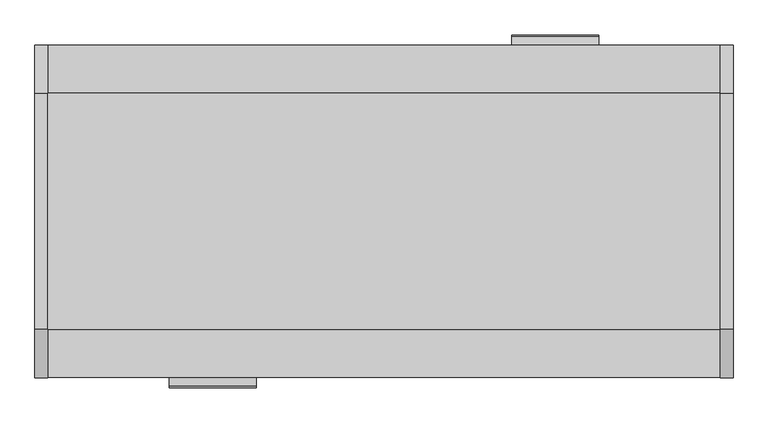
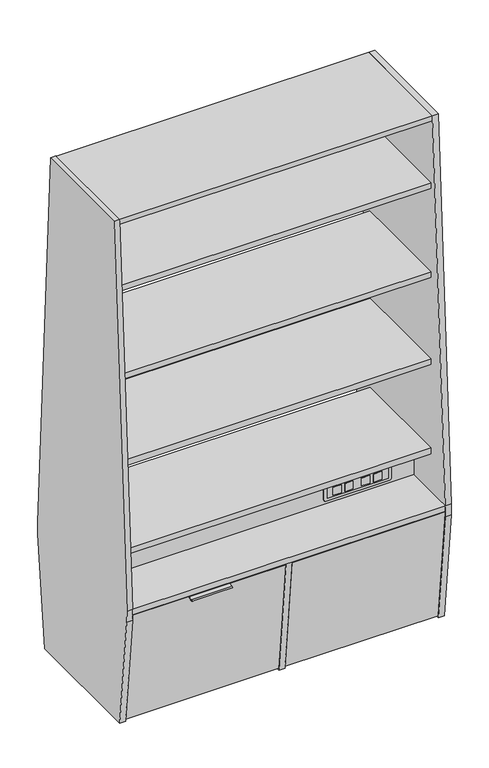
"""IFC4 building model written with IfcOpenShell, lengths in millimetres: furniture geometry."""

from ifc_helpers import new_model, si_unit, point, frame, frame_2d, origin, origin_with_axes, place, context, project, spatial, polyline, circle_curve, trimmed, segment, composite_curve, outline, extrude, faceted_brep, source, transform, mapped, element, save


def furniture_2c039319(model_context):
    return source(origin(), model_context, "Body", "SolidModel", [
        extrude(outline(polyline([(-193.5198282, 158.75), (111.3337127, 158.75), (111.3337127, 134.9375), (-202.1868694, 134.9375), (-193.5198282, 158.75)])), frame((-488.95, 0.0, 0.0), z_axis=(1.0, 0.0, 0.0), x_axis=(0.0, 1.0, 0.0)), (0.0, 0.0, 1.0), 449.2752),
        extrude(outline(polyline([(-111.9552839, 158.75), (192.898257, 158.75), (201.5652982, 134.9375), (-111.9552839, 134.9375), (-111.9552839, 158.75)])), frame((39.6748, 0.0, 0.0), z_axis=(1.0, 0.0, 0.0), x_axis=(0.0, 1.0, 0.0)), (0.0, 0.0, 1.0), 449.2752),
        extrude(outline(polyline([(-488.95, 111.3337127), (-488.95, 131.7152982), (-39.6748, 131.7152982), (-39.6748, 111.3337127), (-488.95, 111.3337127)])), frame((0.0, 0.0, 134.9375), z_axis=(0.0, 0.0, 1.0), x_axis=(1.0, 0.0, 0.0)), (0.0, 0.0, 1.0), 228.6),
        extrude(outline(polyline([(-118.9832739, 363.5375), (131.7152982, 363.5375), (131.7152982, 134.9375), (-202.1868694, 134.9375), (-118.9832739, 363.5375)])), frame((-39.6748, 0.0, 0.0), z_axis=(1.0, 0.0, 0.0), x_axis=(0.0, 1.0, 0.0)), (0.0, 0.0, 1.0), 22.225),
        extrude(outline(polyline([(-118.9832739, 363.5375), (131.7152982, 363.5375), (131.7152982, 134.9375), (-202.1868694, 134.9375), (-118.9832739, 363.5375)])), frame((-511.175, 0.0, 0.0), z_axis=(1.0, 0.0, 0.0), x_axis=(0.0, 1.0, 0.0)), (0.0, 0.0, 1.0), 22.225),
        extrude(outline(polyline([(39.6748, -132.3368694), (39.6748, -111.9552839), (488.95, -111.9552839), (488.95, -132.3368694), (39.6748, -132.3368694)])), frame((0.0, 0.0, 134.9375), z_axis=(0.0, 0.0, 1.0), x_axis=(1.0, 0.0, 0.0)), (0.0, 0.0, 1.0), 228.6),
        extrude(outline(polyline([(0.0, -578.6825541), (0.0, 0.0), (19.845697, 0.0), (19.845697, -578.6825541), (0.0, -578.6825541)])), frame((590.55, 244.5574981, 8.3666349), z_axis=(0.0, 0.10452846326765657, 0.9945218953682731), x_axis=(0.0, -0.9945218953682731, 0.10452846326765657)), (0.0, 0.0, 1.0), 444.7184888),
        extrude(outline(polyline([(0.0, -578.6825541), (0.0, 0.0), (19.845697, 0.0), (19.845697, -578.6825541), (0.0, -578.6825541)])), frame((-11.8674459, 244.5574981, 8.3666349), z_axis=(0.0, 0.10452846326765657, 0.9945218953682731), x_axis=(0.0, -0.9945218953682731, 0.10452846326765657)), (0.0, 0.0, 1.0), 444.7184888),
        extrude(outline(composite_curve([segment(polyline([(-207.7640625, 1981.2), (207.7640625, 1981.2), (292.2664689, 474.9147693)]), True, "CONTINUOUS"), segment(trimmed(circle_curve(frame_2d((21.725451, 459.7374532)), 270.9664063), [point((292.2664689, 474.9147693))], [point((291.2074749, 431.4137512))], False, "CARTESIAN"), True, "CONTINUOUS"), segment(polyline([(291.2074749, 431.4137512), (245.8640625, 0.0), (-245.8640625, 0.0), (-291.2074749, 431.4137512)]), True, "CONTINUOUS"), segment(trimmed(circle_curve(frame_2d((-21.725451, 459.7374532)), 270.9664063), [point((-291.2074749, 431.4137512))], [point((-292.2664689, 474.9147693))], False, "CARTESIAN"), True, "CONTINUOUS"), segment(polyline([(-292.2664689, 474.9147693), (-207.7640625, 1981.2)]), True, "CONTINUOUS")], self_intersect=False)), frame((590.55, 0.0, 0.0), z_axis=(1.0, 0.0, 0.0), x_axis=(0.0, 1.0, 0.0)), (0.0, 0.0, 1.0), 22.225),
        extrude(outline(polyline([(-312.19018, 93.5806455), (-280.44018, 93.5806455), (-280.44018, 92.5591729), (-312.19018, 92.5591729), (-312.19018, 93.5806455)])), frame((0.0, 0.0, 504.4364571), z_axis=(0.0, 0.0, 1.0), x_axis=(1.0, 0.0, 0.0)), (0.0, 0.0, 1.0), 31.75),
        extrude(outline(polyline([(-356.64018, 93.5806455), (-324.89018, 93.5806455), (-324.89018, 92.5591729), (-356.64018, 92.5591729), (-356.64018, 93.5806455)])), frame((0.0, 0.0, 504.4364571), z_axis=(0.0, 0.0, 1.0), x_axis=(1.0, 0.0, 0.0)), (0.0, 0.0, 1.0), 31.75),
        extrude(outline(polyline([(-420.14018, 93.5806455), (-388.39018, 93.5806455), (-388.39018, 92.5591729), (-420.14018, 92.5591729), (-420.14018, 93.5806455)])), frame((0.0, 0.0, 504.4364571), z_axis=(0.0, 0.0, 1.0), x_axis=(1.0, 0.0, 0.0)), (0.0, 0.0, 1.0), 31.75),
        extrude(outline(polyline([(-464.59018, 93.5806455), (-432.84018, 93.5806455), (-432.84018, 92.5591729), (-464.59018, 92.5591729), (-464.59018, 93.5806455)])), frame((0.0, 0.0, 504.4364571), z_axis=(0.0, 0.0, 1.0), x_axis=(1.0, 0.0, 0.0)), (0.0, 0.0, 1.0), 31.75),
        extrude(outline(polyline([(-489.5911618, 92.5591729), (-260.9911618, 92.5591729), (-260.9911618, 90.806662), (-489.5911618, 90.806662), (-489.5911618, 92.5591729)])), frame((0.0, 0.0, 500.0486504), z_axis=(0.0, 0.0, 1.0), x_axis=(1.0, 0.0, 0.0)), (0.0, 0.0, 1.0), 40.3854567),
        extrude(outline(composite_curve([segment(trimmed(circle_curve(frame_2d((545.1966071, -495.9411618)), 6.35), [point((551.5466071, -495.9411618))], [point((545.1966071, -502.2911618))], False, "CARTESIAN"), True, "CONTINUOUS"), segment(polyline([(545.1966071, -502.2911618), (495.2861504, -502.2911618)]), True, "CONTINUOUS"), segment(trimmed(circle_curve(frame_2d((495.2861504, -495.9411618)), 6.35), [point((495.2861504, -502.2911618))], [point((488.9361504, -495.9411618))], False, "CARTESIAN"), True, "CONTINUOUS"), segment(polyline([(488.9361504, -495.9411618), (488.9361504, -254.6411618)]), True, "CONTINUOUS"), segment(trimmed(circle_curve(frame_2d((495.2861504, -254.6411618)), 6.35), [point((488.9361504, -254.6411618))], [point((495.2861504, -248.2911618))], False, "CARTESIAN"), True, "CONTINUOUS"), segment(polyline([(495.2861504, -248.2911618), (545.1966071, -248.2911618)]), True, "CONTINUOUS"), segment(trimmed(circle_curve(frame_2d((545.1966071, -254.6411618)), 6.35), [point((545.1966071, -248.2911618))], [point((551.5466071, -254.6411618))], False, "CARTESIAN"), True, "CONTINUOUS"), segment(polyline([(551.5466071, -254.6411618), (551.5466071, -495.9411618)]), True, "CONTINUOUS")], self_intersect=False)), frame((0.0, 87.3125, 0.0), z_axis=(0.0, 1.0, 0.0), x_axis=(0.0, 0.0, 1.0)), (0.0, 0.0, 1.0), 3.494162),
        extrude(outline(polyline([(312.19018, -93.5806455), (280.44018, -93.5806455), (280.44018, -92.5591729), (312.19018, -92.5591729), (312.19018, -93.5806455)])), frame((0.0, 0.0, 504.4364571), z_axis=(0.0, 0.0, 1.0), x_axis=(1.0, 0.0, 0.0)), (0.0, 0.0, 1.0), 31.75),
        extrude(outline(polyline([(356.64018, -93.5806455), (324.89018, -93.5806455), (324.89018, -92.5591729), (356.64018, -92.5591729), (356.64018, -93.5806455)])), frame((0.0, 0.0, 504.4364571), z_axis=(0.0, 0.0, 1.0), x_axis=(1.0, 0.0, 0.0)), (0.0, 0.0, 1.0), 31.75),
        extrude(outline(polyline([(420.14018, -93.5806455), (388.39018, -93.5806455), (388.39018, -92.5591729), (420.14018, -92.5591729), (420.14018, -93.5806455)])), frame((0.0, 0.0, 504.4364571), z_axis=(0.0, 0.0, 1.0), x_axis=(1.0, 0.0, 0.0)), (0.0, 0.0, 1.0), 31.75),
        extrude(outline(polyline([(464.59018, -93.5806455), (432.84018, -93.5806455), (432.84018, -92.5591729), (464.59018, -92.5591729), (464.59018, -93.5806455)])), frame((0.0, 0.0, 504.4364571), z_axis=(0.0, 0.0, 1.0), x_axis=(1.0, 0.0, 0.0)), (0.0, 0.0, 1.0), 31.75),
        extrude(outline(polyline([(489.5911618, -92.5591729), (260.9911618, -92.5591729), (260.9911618, -90.806662), (489.5911618, -90.806662), (489.5911618, -92.5591729)])), frame((0.0, 0.0, 500.0486504), z_axis=(0.0, 0.0, 1.0), x_axis=(1.0, 0.0, 0.0)), (0.0, 0.0, 1.0), 40.3854567),
        extrude(outline(composite_curve([segment(polyline([(551.5466071, 495.9411618), (551.5466071, 254.6411618)]), True, "CONTINUOUS"), segment(trimmed(circle_curve(frame_2d((545.1966071, 254.6411618)), 6.35), [point((551.5466071, 254.6411618))], [point((545.1966071, 248.2911618))], False, "CARTESIAN"), True, "CONTINUOUS"), segment(polyline([(545.1966071, 248.2911618), (495.2861504, 248.2911618)]), True, "CONTINUOUS"), segment(trimmed(circle_curve(frame_2d((495.2861504, 254.6411618)), 6.35), [point((495.2861504, 248.2911618))], [point((488.9361504, 254.6411618))], False, "CARTESIAN"), True, "CONTINUOUS"), segment(polyline([(488.9361504, 254.6411618), (488.9361504, 495.9411618)]), True, "CONTINUOUS"), segment(trimmed(circle_curve(frame_2d((495.2861504, 495.9411618)), 6.35), [point((488.9361504, 495.9411618))], [point((495.2861504, 502.2911618))], False, "CARTESIAN"), True, "CONTINUOUS"), segment(polyline([(495.2861504, 502.2911618), (545.1966071, 502.2911618)]), True, "CONTINUOUS"), segment(trimmed(circle_curve(frame_2d((545.1966071, 495.9411618)), 6.35), [point((545.1966071, 502.2911618))], [point((551.5466071, 495.9411618))], False, "CARTESIAN"), True, "CONTINUOUS")], self_intersect=False)), frame((0.0, -90.806662, 0.0), z_axis=(0.0, 1.0, 0.0), x_axis=(0.0, 0.0, 1.0)), (0.0, 0.0, 1.0), 3.494162),
        extrude(outline(composite_curve([segment(polyline([(-307.5901915, 448.1352137), (-268.3065767, 452.264088), (-266.4250643, 434.3626938), (-268.4141081, 434.1536369), (-270.0865635, 450.0659872), (-300.9167423, 446.8256049)]), True, "CONTINUOUS"), segment(trimmed(circle_curve(frame_2d((-303.3984312, 446.137696)), 2.5752667), [point((-300.9167423, 446.8256049))], [point((-303.1292425, 443.5765369))], False, "CARTESIAN"), True, "CONTINUOUS"), segment(polyline([(-303.1292425, 443.5765369), (-307.0675492, 443.1626042)]), True, "CONTINUOUS"), segment(trimmed(circle_curve(frame_2d((-307.3288704, 445.6489089)), 2.5), [point((-307.0675492, 443.1626042))], [point((-307.5901915, 448.1352137))], False, "CARTESIAN"), True, "CONTINUOUS")], self_intersect=False)), frame((-377.03125, 0.0, 0.0), z_axis=(1.0, 0.0, 0.0), x_axis=(0.0, 1.0, 0.0)), (0.0, 0.0, 1.0), 152.4010201),
        extrude(outline(composite_curve([segment(trimmed(circle_curve(frame_2d((307.3288704, 445.6489089)), 2.5), [point((307.5901915, 448.1352137))], [point((307.0675492, 443.1626042))], False, "CARTESIAN"), True, "CONTINUOUS"), segment(polyline([(307.0675492, 443.1626042), (303.1292425, 443.5765369)]), True, "CONTINUOUS"), segment(trimmed(circle_curve(frame_2d((303.3984312, 446.137696)), 2.5752667), [point((303.1292425, 443.5765369))], [point((300.9167423, 446.8256049))], False, "CARTESIAN"), True, "CONTINUOUS"), segment(polyline([(300.9167423, 446.8256049), (270.0865635, 450.0659872), (268.4141081, 434.1536369), (266.4250643, 434.3626938), (268.3065767, 452.264088), (307.5901915, 448.1352137)]), True, "CONTINUOUS")], self_intersect=False)), frame((224.6302299, 0.0, 0.0), z_axis=(1.0, 0.0, 0.0), x_axis=(0.0, 1.0, 0.0)), (0.0, 0.0, 1.0), 152.4010201),
        extrude(outline(polyline([(590.55, -200.0549535), (-590.55, -200.0549535), (-590.55, 200.0549535), (590.55, 200.0549535), (590.55, -200.0549535)])), frame((0.0, 0.0, 983.3466071), z_axis=(0.0, 0.0, 1.0), x_axis=(1.0, 0.0, 0.0)), (0.0, 0.0, 1.0), 22.225),
        extrude(outline(polyline([(590.55, -200.0549535), (-590.55, -200.0549535), (-590.55, 200.0549535), (590.55, 200.0549535), (590.55, -200.0549535)])), frame((0.0, 0.0, 1686.2884301), z_axis=(0.0, 0.0, 1.0), x_axis=(1.0, 0.0, 0.0)), (0.0, 0.0, 1.0), 22.225),
        faceted_brep([(590.55, 292.0905939, 475.3466071), (590.55, -292.0905939, 475.3466071), (590.55, -292.0905939, 453.1216071), (590.55, 292.0905939, 453.1216071), (-590.55, 292.0905939, 475.3466071), (-590.55, 292.0905939, 453.1216071), (-590.55, -292.0905939, 453.1216071), (-590.55, -292.0905939, 475.3466071), (11.1125, -291.2528921, 453.1216071), (11.1125, 291.2528921, 453.1216071), (-11.1125, 291.2528921, 453.1216071), (-11.1125, -291.2528921, 453.1216071), (11.1125, -201.5652982, 98.425), (11.1125, 201.5652982, 98.425), (11.1125, 201.5652982, 1.4720468), (11.1125, 244.5732398, 1.4720468), (11.1125, -244.5732398, 1.4720468), (11.1125, -201.5652982, 1.4720468), (-11.1125, -201.5652982, 98.425), (-11.1125, -201.5652982, 1.4720468), (-11.1125, -244.5732398, 1.4720468), (-11.1125, 244.5732398, 1.4720468), (-11.1125, 201.5652982, 1.4720468), (-11.1125, 201.5652982, 98.425)], [[[0, 1, 2, 3]], [[4, 5, 6, 7]], [[1, 0, 4, 7]], [[2, 1, 7, 6]], [[3, 2, 6, 5], [8, 9, 10, 11]], [[0, 3, 5, 4]], [[12, 13, 14, 15, 9, 8, 16, 17]], [[18, 19, 20, 11, 10, 21, 22, 23]], [[17, 16, 20, 19]], [[12, 17, 19, 18]], [[13, 12, 18, 23]], [[14, 13, 23, 22]], [[15, 14, 22, 21]], [[9, 15, 21, 10]], [[16, 8, 11, 20]]]),
        extrude(outline(polyline([(590.55, -200.0549535), (-590.55, -200.0549535), (-590.55, 200.0549535), (590.55, 200.0549535), (590.55, -200.0549535)])), frame((0.0, 0.0, 627.7466071), z_axis=(0.0, 0.0, 1.0), x_axis=(1.0, 0.0, 0.0)), (0.0, 0.0, 1.0), 22.225),
        extrude(outline(polyline([(-590.55, 201.5652982), (-590.55, 223.7902982), (-11.89355, 223.7902982), (-11.89355, 201.5652982), (-590.55, 201.5652982)])), origin_with_axes(), (0.0, 0.0, 1.0), 120.65),
        extrude(outline(polyline([(-590.55, -223.7902982), (-590.55, -201.5652982), (-11.89355, -201.5652982), (-11.89355, -223.7902982), (-590.55, -223.7902982)])), origin_with_axes(), (0.0, 0.0, 1.0), 120.65),
        extrude(outline(polyline([(590.55, 223.7902982), (590.55, 201.5652982), (11.89355, 201.5652982), (11.89355, 223.7902982), (590.55, 223.7902982)])), origin_with_axes(), (0.0, 0.0, 1.0), 120.65),
        extrude(outline(polyline([(590.55, -201.5652982), (590.55, -223.7902982), (11.89355, -223.7902982), (11.89355, -201.5652982), (590.55, -201.5652982)])), origin_with_axes(), (0.0, 0.0, 1.0), 120.65),
        extrude(outline(polyline([(118.3617027, 363.5375), (201.5652982, 134.9375), (-132.3368694, 134.9375), (-132.3368694, 363.5375), (118.3617027, 363.5375)])), frame((488.95, 0.0, 0.0), z_axis=(1.0, 0.0, 0.0), x_axis=(0.0, 1.0, 0.0)), (0.0, 0.0, 1.0), 22.225),
        extrude(outline(polyline([(118.3617027, 363.5375), (201.5652982, 134.9375), (-132.3368694, 134.9375), (-132.3368694, 363.5375), (118.3617027, 363.5375)])), frame((17.4498, 0.0, 0.0), z_axis=(1.0, 0.0, 0.0), x_axis=(0.0, 1.0, 0.0)), (0.0, 0.0, 1.0), 22.225),
        extrude(outline(polyline([(590.55, -65.0875), (590.55, -87.3125), (-590.55, -87.3125), (-590.55, -65.0875), (590.55, -65.0875)])), frame((0.0, 0.0, 475.3466071), z_axis=(0.0, 0.0, 1.0), x_axis=(1.0, 0.0, 0.0)), (0.0, 0.0, 1.0), 152.4),
        extrude(outline(polyline([(590.55, 87.3125), (590.55, 65.0875), (-590.55, 65.0875), (-590.55, 87.3125), (590.55, 87.3125)])), frame((0.0, 0.0, 475.3466071), z_axis=(0.0, 0.0, 1.0), x_axis=(1.0, 0.0, 0.0)), (0.0, 0.0, 1.0), 152.4),
        extrude(outline(polyline([(590.55, 201.5652982), (590.55, -201.5652982), (-589.75625, -201.5652982), (-589.75625, 201.5652982), (590.55, 201.5652982)])), frame((0.0, 0.0, 98.425), z_axis=(0.0, 0.0, 1.0), x_axis=(1.0, 0.0, 0.0)), (0.0, 0.0, 1.0), 22.225),
        extrude(outline(polyline([(0.0, -578.6825541), (0.0, 0.0), (19.845697, 0.0), (19.845697, -578.6825541), (0.0, -578.6825541)])), frame((-590.55, -244.5574981, 8.3666349), z_axis=(0.0, -0.10452846326765639, 0.9945218953682731), x_axis=(0.0, 0.9945218953682731, 0.10452846326765639)), (0.0, 0.0, 1.0), 444.7184888),
        extrude(outline(polyline([(0.0, -578.6825541), (0.0, 0.0), (19.845697, 0.0), (19.845697, -578.6825541), (0.0, -578.6825541)])), frame((11.8674459, -244.5574981, 8.3666349), z_axis=(0.0, -0.10452846326765639, 0.9945218953682731), x_axis=(0.0, 0.9945218953682731, 0.10452846326765639)), (0.0, 0.0, 1.0), 444.7184888),
        extrude(outline(polyline([(590.55, 207.6125853), (590.55, -207.7353227), (-590.55, -207.7353227), (-590.55, 207.6125853), (590.55, 207.6125853)])), frame((0.0, 0.0, 1959.9734301), z_axis=(0.0, 0.0, 1.0), x_axis=(1.0, 0.0, 0.0)), (0.0, 0.0, 1.0), 21.2265699),
        extrude(outline(composite_curve([segment(polyline([(-207.7640625, 1981.2), (207.7640625, 1981.2), (292.2664689, 474.9147693)]), True, "CONTINUOUS"), segment(trimmed(circle_curve(frame_2d((21.725451, 459.7374532)), 270.9664063), [point((292.2664689, 474.9147693))], [point((291.2074749, 431.4137512))], False, "CARTESIAN"), True, "CONTINUOUS"), segment(polyline([(291.2074749, 431.4137512), (245.8640625, 0.0), (-245.8640625, 0.0), (-291.2074749, 431.4137512)]), True, "CONTINUOUS"), segment(trimmed(circle_curve(frame_2d((-21.725451, 459.7374532)), 270.9664063), [point((-291.2074749, 431.4137512))], [point((-292.2664689, 474.9147693))], False, "CARTESIAN"), True, "CONTINUOUS"), segment(polyline([(-292.2664689, 474.9147693), (-207.7640625, 1981.2)]), True, "CONTINUOUS")], self_intersect=False)), frame((-612.775, 0.0, 0.0), z_axis=(1.0, 0.0, 0.0), x_axis=(0.0, 1.0, 0.0)), (0.0, 0.0, 1.0), 22.225),
        extrude(outline(polyline([(590.55, -200.0549535), (-590.55, -200.0549535), (-590.55, 200.0549535), (590.55, 200.0549535), (590.55, -200.0549535)])), frame((0.0, 0.0, 1330.6884301), z_axis=(0.0, 0.0, 1.0), x_axis=(1.0, 0.0, 0.0)), (0.0, 0.0, 1.0), 22.225),
    ])


if __name__ == "__main__":
    model = new_model("IFC4")
    model_context = context("Model", 3, world=origin())
    ifc_project = project(units=[si_unit("LENGTHUNIT", "METRE", prefix="MILLI")], contexts=[model_context])
    site = spatial("IfcSite", under=ifc_project)
    building = spatial("IfcBuilding", under=site)
    placement = place(None, origin())
    furniture_shape = furniture_2c039319(model_context)
    element("IfcFurniture", 1, at=placement, inside=building, context=model_context, shape_type="MappedRepresentation", body=[
        mapped(furniture_shape, transform((0.0, 0.0, 0.0), x_axis=(1.0, 0.0, 0.0), y_axis=(0.0, 1.0, 0.0), z_axis=(0.0, 0.0, 1.0))),
    ])
    save(model, "model.ifc")
